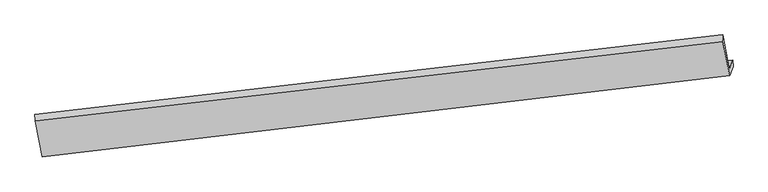
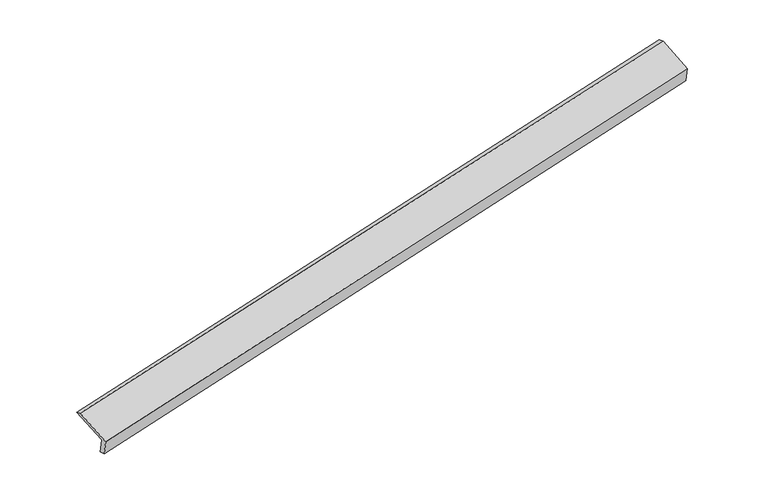
"""IFC4 building model written with IfcOpenShell, lengths in millimetres: proxy geometry."""

from ifc_helpers import new_model, si_unit, frame, origin, place, context, project, spatial, source, transform, mapped, element, save
from ifc_brep_helpers import plane_surface, spline_surface, advanced_brep


def generic_models_ee608f7c(model_context):
    return source(origin(), model_context, "Body", "AdvancedBrep", [
        advanced_brep(
        [(-9714.5435462, -2374.2253076, 88.9325691), (-9781.1497069, -2545.4627251, 492.7358078), (4100.1500694, -915.7251508, 3413.0986789), (4170.5096276, -734.8381443, 2986.5402774), (-9704.7221856, -2516.20963, 119.8340585), (4175.1767333, -862.3698303, 3033.7069122), (-9772.8297054, -2691.3068831, 532.7393623), (4104.817175, -1043.2568369, 3460.2653137), (-9917.8331264, -1964.3846992, 817.0812033), (3968.0327699, -357.5377149, 3728.490224), (-9921.9393576, -1839.6647542, 768.8147319), (3962.1000907, -223.6615339, 3683.8052927)],
        [
            (0, 1),
            (1, 2),
            (2, 3),
            (3, 0),
            (4, 0),
            (3, 5),
            (5, 4),
            (6, 4),
            (5, 7),
            (7, 6),
            (8, 6),
            (7, 9),
            (9, 8),
            (10, 8),
            (9, 11),
            (11, 10),
            (1, 10),
            (11, 2),
        ],
        [
            plane_surface(frame((-9747.8466266, -2459.8440163, 290.8341884), z_axis=(-0.18283660688058126, 0.9156013795835346, 0.3581129554890807), x_axis=(-0.15013589720311313, -0.38598356368067316, 0.9102065155443484))),
            spline_surface(1, 1, [[(-9704.7221856, -2516.20963, 119.8340585), (4175.1767333, -862.3698303, 3033.7069122)], [(-9714.5435462, -2374.2253076, 88.9325691), (4170.5096276, -734.8381443, 2986.5402774)]], [2, 2], [2, 2], [0.0, 1.0], [0.0, 1.0]),
            plane_surface(frame((-9738.7759455, -2603.7582566, 326.2867104), z_axis=(0.1841973817494793, -0.9154426856734728, -0.35782120368079906), x_axis=(0.15013589720325737, 0.3859835636806467, -0.9102065155443357))),
            plane_surface(frame((-9845.3314159, -2327.8457911, 674.9102828), z_axis=(-0.14639204319157495, -0.3855474608788625, 0.9110008370468482), x_axis=(0.18264479666615896, -0.915623600745323, -0.35815401716153744))),
            spline_surface(1, 1, [[(-9921.9393576, -1839.6647542, 768.8147319), (3962.1000907, -223.6615339, 3683.8052927)], [(-9917.8331264, -1964.3846992, 817.0812033), (3968.0327699, -357.5377149, 3728.490224)]], [2, 2], [2, 2], [0.0, 1.0], [0.0, 1.0]),
            plane_surface(frame((-9851.5445323, -2192.5637396, 630.7752698), z_axis=(0.1463920431915739, 0.3855474608788693, -0.9110008370468458), x_axis=(-0.1826447966661743, 0.9156236007453186, 0.35815401716154116))),
            plane_surface(frame((4080.1310777, -689.5648685, 3384.3177831), z_axis=(0.9716481310751083, 0.11247270925231001, 0.2079658603033073), x_axis=(0.18264479666615896, -0.915623600745323, -0.35815401716153744))),
            plane_surface(frame((-9802.1696047, -2321.8756665, 470.0229555), z_axis=(-0.9716481310750276, -0.11247270925288509, -0.20796586030337358), x_axis=(0.15013589720310874, 0.3859835636806466, -0.9102065155443604))),
        ],
        [
            (0, [[1, 2, 3, 4]]),
            (1, [[5, -4, 6, 7]]),
            (2, [[8, -7, 9, 10]]),
            (3, [[11, -10, 12, 13]]),
            (4, [[14, -13, 15, 16]]),
            (5, [[17, -16, 18, -2]]),
            (6, [[-12, -9, -6, -3, -18, -15]]),
            (7, [[-1, -5, -8, -11, -14, -17]]),
        ],
    ),
    ])


if __name__ == "__main__":
    model = new_model("IFC4")
    model_context = context("Model", 3, world=origin())
    ifc_project = project(units=[si_unit("LENGTHUNIT", "METRE", prefix="MILLI")], contexts=[model_context])
    site = spatial("IfcSite", under=ifc_project)
    building = spatial("IfcBuilding", under=site)
    placement = place(None, origin())
    generic_models_shape = generic_models_ee608f7c(model_context)
    element("IfcBuildingElementProxy", 1, Name="Generic Models", at=placement, inside=building, context=model_context, shape_type="MappedRepresentation", body=[
        mapped(generic_models_shape, transform((0.0, 0.0, 0.0), x_axis=(1.0, 0.0, 0.0), y_axis=(0.0, 1.0, 0.0), z_axis=(0.0, 0.0, 1.0))),
    ])
    save(model, "model.ifc")
